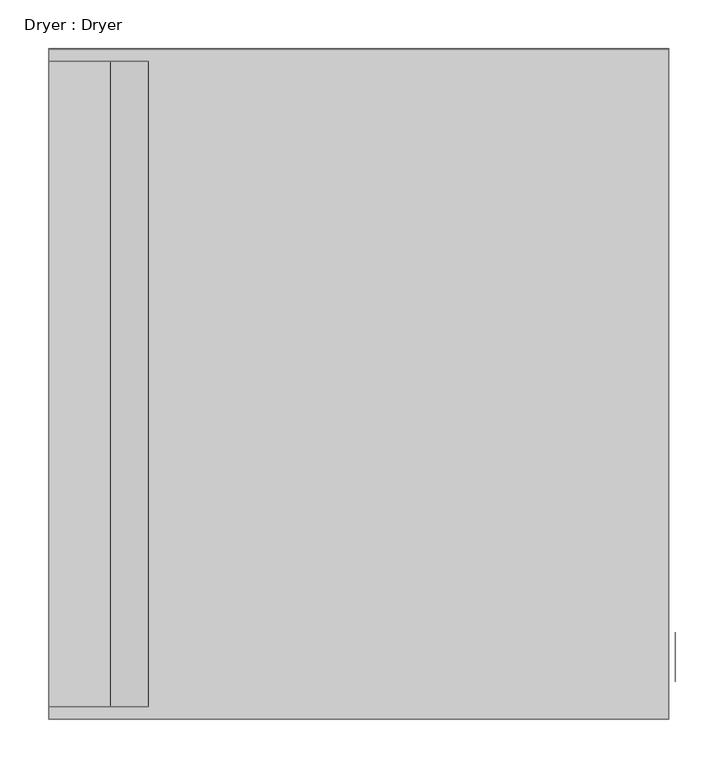
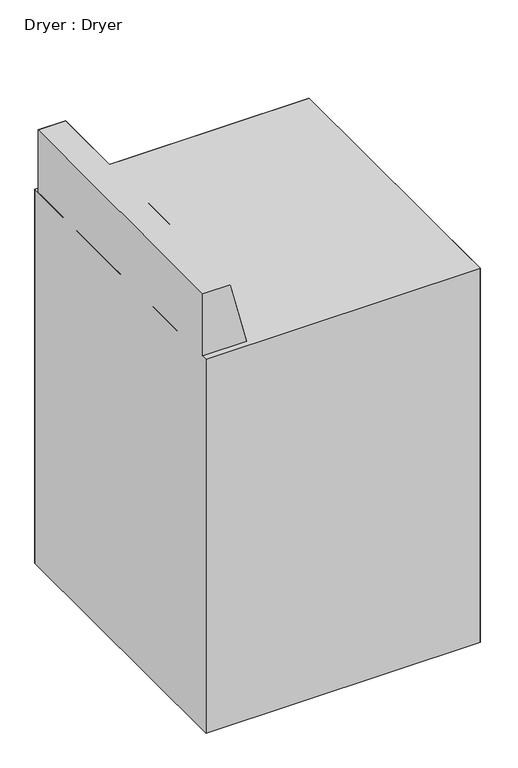
"""IFC4 building model written with IfcOpenShell, lengths in millimetres: furniture geometry, Dryer : Dryer."""

from ifc_helpers import new_model, si_unit, origin, place, context, project, spatial, triangles, source, transform, mapped, element, save


def dryer_dryer_d7a55d65(model_context):
    return source(origin(), model_context, "Body", "Tessellation", [
        triangles([(634.9999758, 673.0999758, 825.4999758), (634.9999758, 685.8000727, 838.2), (634.9999758, 2.44e-05, 838.2), (634.9999758, 12.7000231, 825.4999758), (634.9999758, 673.0999758, 292.0999576), (634.9999758, 685.7999273, 279.3999516), (634.9999758, 12.6999765, 292.0999939), (634.9999758, -2.44e-05, 279.4000061)], [[1, 2, 3], [3, 4, 1], [5, 6, 1], [2, 1, 6], [7, 8, 6], [6, 5, 7], [4, 3, 7], [8, 7, 3]], closed=False),
        triangles([(641.3500242, 38.1000045, 647.7), (641.3500242, 38.0999932, 495.3), (641.3500242, 88.9000061, 647.7), (641.3500242, 88.899997, 495.3)], [[1, 2, 3], [4, 3, 2]], closed=False),
        triangles([(634.9999758, 685.8, 279.3999516), (634.9999758, -2.22e-05, 279.4000061), (634.9999758, 685.7999273, -3e-05), (634.9999758, -4.66e-05, 3e-05), (0.0, 3.33e-05, 914.4), (0.0, 685.8000727, 914.4), (0.0, 685.7999273, -3e-05), (0.0, -4.66e-05, 3e-05), (0.0, 673.1000484, 1066.8), (63.4999985, 673.1000484, 1066.8), (0.0, 673.1000484, 914.4), (101.600003, 673.1000484, 914.4), (0.0, 12.7000469, 1066.8), (63.4999985, 12.7000469, 1066.8), (0.0, 12.7000333, 914.4), (101.600003, 12.7000333, 914.4), (634.9999758, 685.8000727, 914.4), (634.9999758, 3.33e-05, 914.4), (634.9999758, 685.8000727, 838.2), (634.9999758, 2.66e-05, 838.2), (634.9999758, 673.1000484, 825.4999758), (634.9999758, 12.7000254, 825.4999758), (634.9999758, 673.0999758, 292.0999576), (634.9999758, 12.6999788, 292.0999939)], [[1, 2, 3], [4, 3, 2], [5, 6, 7], [7, 8, 5], [9, 10, 11], [12, 11, 10], [13, 14, 10], [10, 9, 13], [15, 16, 13], [14, 13, 16], [10, 14, 12], [16, 12, 14], [6, 17, 7], [3, 7, 17], [5, 18, 17], [17, 6, 5], [8, 4, 18], [18, 5, 8], [13, 9, 11], [11, 15, 13], [17, 18, 19], [20, 19, 18], [21, 22, 23], [24, 23, 22]], closed=False),
    ])


if __name__ == "__main__":
    model = new_model("IFC4")
    model_context = context("Model", 3, world=origin())
    ifc_project = project(units=[si_unit("LENGTHUNIT", "METRE", prefix="MILLI")], contexts=[model_context])
    site = spatial("IfcSite", under=ifc_project)
    building = spatial("IfcBuilding", under=site)
    placement = place(None, origin())
    dryer_dryer_shape = dryer_dryer_d7a55d65(model_context)
    element("IfcFurniture", 1, ObjectType="Dryer : Dryer", at=placement, inside=building, context=model_context, shape_type="MappedRepresentation", body=[
        mapped(dryer_dryer_shape, transform((0.0, 0.0, 0.0), x_axis=(1.0, 0.0, 0.0), y_axis=(0.0, 1.0, 0.0), z_axis=(0.0, 0.0, 1.0))),
    ])
    save(model, "model.ifc")
